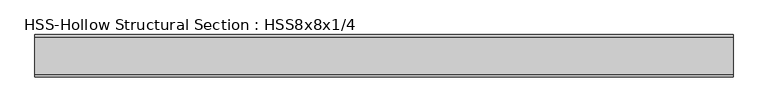
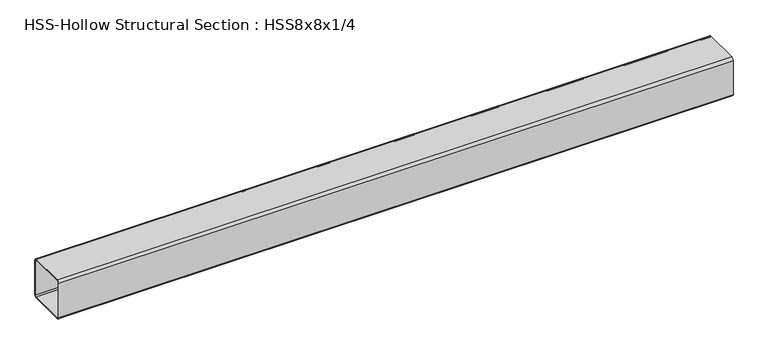
"""IFC4 building model written with IfcOpenShell, lengths in millimetres: member geometry, HSS-Hollow Structural Section : HSS8x8x1/4."""

from ifc_helpers import new_model, si_unit, point, frame, frame_2d, origin, place, context, project, spatial, polyline, circle_curve, trimmed, segment, composite_curve, outline, extrude, source, transform, mapped, element, save


def hss_hollow_structural_section_hss8x8x1_4_b73c519d(model_context):
    return source(origin(), model_context, "Body", "SweptSolid", [
        extrude(outline(composite_curve([segment(polyline([(101.6, 89.7636), (101.6, -89.7636)]), True, "CONTINUOUS"), segment(trimmed(circle_curve(frame_2d((89.7636, -89.7636)), 11.8364), [point((101.6, -89.7636))], [point((89.7636, -101.6))], False, "CARTESIAN"), True, "CONTINUOUS"), segment(polyline([(89.7636, -101.6), (-89.7636, -101.6)]), True, "CONTINUOUS"), segment(trimmed(circle_curve(frame_2d((-89.7636, -89.7636)), 11.8364), [point((-89.7636, -101.6))], [point((-101.6, -89.7636))], False, "CARTESIAN"), True, "CONTINUOUS"), segment(polyline([(-101.6, -89.7636), (-101.6, 89.7636)]), True, "CONTINUOUS"), segment(trimmed(circle_curve(frame_2d((-89.7636, 89.7636)), 11.8364), [point((-101.6, 89.7636))], [point((-89.7636, 101.6))], False, "CARTESIAN"), True, "CONTINUOUS"), segment(polyline([(-89.7636, 101.6), (89.7636, 101.6)]), True, "CONTINUOUS"), segment(trimmed(circle_curve(frame_2d((89.7636, 89.7636)), 11.8364), [point((89.7636, 101.6))], [point((101.6, 89.7636))], False, "CARTESIAN"), True, "CONTINUOUS")], self_intersect=False), holes=[composite_curve([segment(trimmed(circle_curve(frame_2d((-89.7636, 89.7636)), 5.9182), [point((-89.7636, 95.6818))], [point((-95.6818, 89.7636))], True, "CARTESIAN"), True, "CONTINUOUS"), segment(polyline([(-95.6818, 89.7636), (-95.6818, -89.7636)]), True, "CONTINUOUS"), segment(trimmed(circle_curve(frame_2d((-89.7636, -89.7636)), 5.9182), [point((-95.6818, -89.7636))], [point((-89.7636, -95.6818))], True, "CARTESIAN"), True, "CONTINUOUS"), segment(polyline([(-89.7636, -95.6818), (89.7636, -95.6818)]), True, "CONTINUOUS"), segment(trimmed(circle_curve(frame_2d((89.7636, -89.7636)), 5.9182), [point((89.7636, -95.6818))], [point((95.6818, -89.7636))], True, "CARTESIAN"), True, "CONTINUOUS"), segment(polyline([(95.6818, -89.7636), (95.6818, 89.7636)]), True, "CONTINUOUS"), segment(trimmed(circle_curve(frame_2d((89.7636, 89.7636)), 5.9182), [point((95.6818, 89.7636))], [point((89.7636, 95.6818))], True, "CARTESIAN"), True, "CONTINUOUS"), segment(polyline([(89.7636, 95.6818), (-89.7636, 95.6818)]), True, "CONTINUOUS")], self_intersect=False)]), frame((-1602.5661092, 0.0, 0.0), z_axis=(1.0, 0.0, 0.0), x_axis=(0.0, 1.0, 0.0)), (0.0, 0.0, 1.0), 3356.1206417),
    ])


if __name__ == "__main__":
    model = new_model("IFC4")
    model_context = context("Model", 3, world=origin())
    ifc_project = project(units=[si_unit("LENGTHUNIT", "METRE", prefix="MILLI")], contexts=[model_context])
    site = spatial("IfcSite", under=ifc_project)
    building = spatial("IfcBuilding", under=site)
    placement = place(None, origin())
    hss_hollow_structural_section_hss8x8x1_4_shape = hss_hollow_structural_section_hss8x8x1_4_b73c519d(model_context)
    element("IfcMember", 1, ObjectType="HSS-Hollow Structural Section : HSS8x8x1/4", at=placement, inside=building, context=model_context, shape_type="MappedRepresentation", body=[
        mapped(hss_hollow_structural_section_hss8x8x1_4_shape, transform((0.0, 0.0, 0.0), x_axis=(1.0, 0.0, 0.0), y_axis=(0.0, 1.0, 0.0), z_axis=(0.0, 0.0, 1.0))),
    ])
    save(model, "model.ifc")
